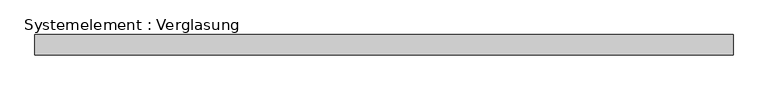
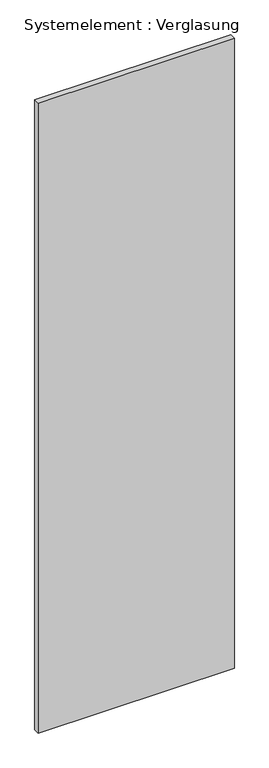
"""IFC4 building model written with IfcOpenShell, lengths in millimetres: plate geometry, Systemelement : Verglasung."""

from ifc_helpers import new_model, si_unit, origin, origin_with_axes, place, context, project, spatial, polyline, outline, extrude, source, transform, mapped, element, save


def systemelement_verglasung_93a31447(model_context):
    return source(origin(), model_context, "Body", "SweptSolid", [
        extrude(outline(polyline([(519.6875002, -15.0), (-519.6875002, -15.0), (-519.6875002, 15.0), (519.6875002, 15.0), (519.6875002, -15.0)])), origin_with_axes(), (0.0, 0.0, 1.0), 3524.1717369),
    ])


if __name__ == "__main__":
    model = new_model("IFC4")
    model_context = context("Model", 3, world=origin())
    ifc_project = project(units=[si_unit("LENGTHUNIT", "METRE", prefix="MILLI")], contexts=[model_context])
    site = spatial("IfcSite", under=ifc_project)
    building = spatial("IfcBuilding", under=site)
    placement = place(None, origin())
    systemelement_verglasung_shape = systemelement_verglasung_93a31447(model_context)
    element("IfcPlate", 1, ObjectType="Systemelement : Verglasung", at=placement, inside=building, context=model_context, shape_type="MappedRepresentation", body=[
        mapped(systemelement_verglasung_shape, transform((0.0, 0.0, 0.0), x_axis=(1.0, 0.0, 0.0), y_axis=(0.0, 1.0, 0.0), z_axis=(0.0, 0.0, 1.0))),
    ])
    save(model, "model.ifc")
